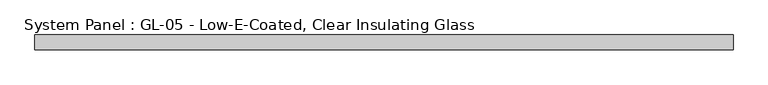
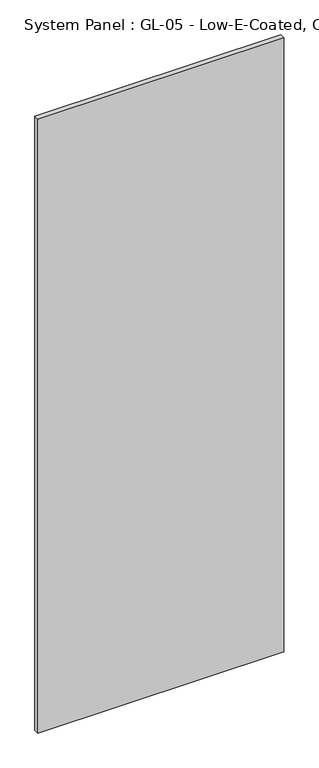
"""IFC4 building model written with IfcOpenShell, lengths in millimetres: plate geometry, System Panel : GL-05 - Low-E-Coated, Clear Insulating Glass."""

from ifc_helpers import new_model, si_unit, origin, origin_with_axes, place, context, project, spatial, polyline, outline, extrude, source, transform, mapped, element, save


def system_panel_gl_05_low_e_coated_clear_insulating_glass_9ab9f118(model_context):
    return source(origin(), model_context, "Body", "SweptSolid", [
        extrude(outline(polyline([(596.9, -12.7), (-596.9, -12.7), (-596.9, 12.7), (596.9, 12.7), (596.9, -12.7)])), origin_with_axes(), (0.0, 0.0, 1.0), 3149.6),
    ])


if __name__ == "__main__":
    model = new_model("IFC4")
    model_context = context("Model", 3, world=origin())
    ifc_project = project(units=[si_unit("LENGTHUNIT", "METRE", prefix="MILLI")], contexts=[model_context])
    site = spatial("IfcSite", under=ifc_project)
    building = spatial("IfcBuilding", under=site)
    placement = place(None, origin())
    system_panel_gl_05_low_e_coated_clear_insulating_glass_shape = system_panel_gl_05_low_e_coated_clear_insulating_glass_9ab9f118(model_context)
    element("IfcPlate", 1, ObjectType="System Panel : GL-05 - Low-E-Coated, Clear Insulating Glass", at=placement, inside=building, context=model_context, shape_type="MappedRepresentation", body=[
        mapped(system_panel_gl_05_low_e_coated_clear_insulating_glass_shape, transform((0.0, 0.0, 0.0), x_axis=(1.0, 0.0, 0.0), y_axis=(0.0, 1.0, 0.0), z_axis=(0.0, 0.0, 1.0))),
    ])
    save(model, "model.ifc")
